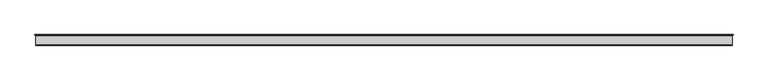
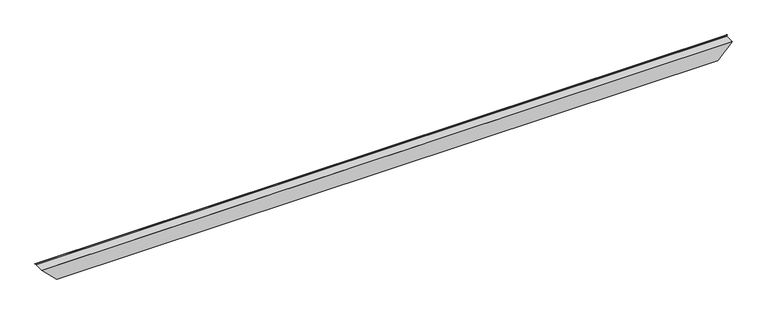
"""IFC4 building model written with IfcOpenShell, lengths in millimetres: proxy geometry."""

from ifc_helpers import new_model, si_unit, frame, origin, place, context, project, spatial, polyline, ellipse_curve, faceted_brep, source, transform, mapped, element, save
from ifc_brep_helpers import plane_surface, cylinder_surface, revolved_surface, advanced_brep


def specialty_equipment_ea0de7f9(model_context):
    return source(origin(), model_context, "Body", "SolidModel", [
        advanced_brep(
        [(7403.4711295, 84.2845729, 38.6991105), (7403.9063263, 83.3664989, 39.1343073), (-39.1343073, 83.3664989, 39.1343073), (-38.6991105, 84.2845729, 38.6991105), (7410.9034758, 86.6833746, 46.1314568), (-46.1314568, 86.6833746, 46.1314568), (7411.9682213, 84.8585816, 47.1962023), (-47.1962023, 84.8585816, 47.1962023), (7404.4427011, 77.3330614, 39.6706822), (-39.6706822, 77.3330614, 39.6706822), (7404.4427011, 0.508, 39.6706822), (-39.6706822, 0.508, 39.6706822), (7403.9347011, 0.0, 39.1626822), (-39.1626822, 0.0, 39.1626822), (7246.7783047, 0.0, -117.9937142), (117.9937142, 0.0, -117.9937142), (7246.7783047, 77.6452525, -117.9937142), (117.9937142, 77.6452525, -117.9937142), (7239.474382, 84.9491753, -125.297637), (125.297637, 84.9491753, -125.297637), (7241.2700334, 86.4483719, -123.5019856), (123.5019856, 86.4483719, -123.5019856), (7246.000719, 84.7304835, -118.7713), (118.7713, 84.7304835, -118.7713), (7246.347509, 85.6854666, -118.42451), (118.42451, 85.6854666, -118.42451), (7241.6394776, 87.3951284, -123.1325414), (123.1325414, 87.3951284, -123.1325414), (7238.5801716, 84.4065446, -126.1918474), (126.1918474, 84.4065446, -126.1918474), (7245.7623047, 77.2244115, -119.0097142), (119.0097142, 77.2244115, -119.0097142), (7245.7623047, -25.5276818, -119.0097142), (119.0097142, -25.5276818, -119.0097142), (7404.4427011, -25.5276818, 39.6706822), (-39.6706822, -25.5276818, 39.6706822), (7405.4587011, -24.5116818, 40.6866822), (-40.6866822, -24.5116818, 40.6866822), (7405.4587011, 76.9122205, 40.6866822), (-40.6866822, 76.9122205, 40.6866822), (7412.7614001, 84.2236616, 47.9893811), (-47.9893811, 84.2236616, 47.9893811), (7410.7409922, 87.6862978, 45.9689732), (-45.9689732, 87.6862978, 45.9689732)],
        [
            (0, 1),
            (1, 2),
            (2, 3),
            (3, 0),
            (1, 4),
            (4, 5),
            (5, 2),
            (4, 6, ellipse_curve(frame((7411.084506, 85.5659738, 46.312487), z_axis=(0.7071067811865483, 0.0, -0.7071067811865468), x_axis=(0.7071067811865466, 0.0, 0.7071067811865485)), 1.6008476, 1.1319702)),
            (6, 7),
            (7, 5, ellipse_curve(frame((-46.312487, 85.5659738, 46.312487), z_axis=(-0.7071067811865492, 0.0, -0.7071067811865458), x_axis=(0.7071067811865458, 0.0, -0.7071067811865492)), 1.6008476, 1.1319702)),
            (6, 8),
            (8, 9),
            (9, 7),
            (8, 10),
            (10, 11),
            (11, 9),
            (10, 12, ellipse_curve(frame((7403.9347011, 0.508, 39.1626822), z_axis=(0.7071067811865483, 0.0, -0.7071067811865468), x_axis=(0.7071067811865466, 0.0, 0.7071067811865485)), 0.7184205, 0.508)),
            (12, 13),
            (13, 11, ellipse_curve(frame((-39.1626822, 0.508, 39.1626822), z_axis=(-0.7071067811865492, 0.0, -0.7071067811865458), x_axis=(0.7071067811865458, 0.0, -0.7071067811865492)), 0.7184205, 0.508)),
            (12, 14),
            (14, 15),
            (15, 13),
            (14, 16),
            (16, 17),
            (17, 15),
            (16, 18),
            (18, 19),
            (19, 17),
            (18, 20, ellipse_curve(frame((7240.7543875, 85.2410207, -124.0176315), z_axis=(0.7071067811865483, 0.0, -0.7071067811865468), x_axis=(0.7071067811865466, 0.0, 0.7071067811865485)), 1.8566571, 1.3128548)),
            (20, 21),
            (21, 19, ellipse_curve(frame((124.0176315, 85.2410207, -124.0176315), z_axis=(-0.7071067811865492, 0.0, -0.7071067811865458), x_axis=(0.7071067811865458, 0.0, -0.7071067811865492)), 1.8566571, 1.3128548)),
            (20, 22),
            (22, 23),
            (23, 21),
            (22, 24),
            (24, 25),
            (25, 23),
            (24, 26),
            (26, 27),
            (27, 25),
            (26, 28, ellipse_curve(frame((7240.7543875, 85.2410207, -124.0176315), z_axis=(-0.7071067811865483, 0.0, 0.7071067811865468), x_axis=(-0.7071067811865466, 0.0, -0.7071067811865485)), 3.2934981, 2.3288548)),
            (28, 29),
            (29, 27, ellipse_curve(frame((124.0176315, 85.2410207, -124.0176315), z_axis=(0.7071067811865492, 0.0, 0.7071067811865458), x_axis=(-0.7071067811865458, 0.0, 0.7071067811865492)), 3.2934981, 2.3288548)),
            (28, 30),
            (30, 31),
            (31, 29),
            (30, 32),
            (32, 33),
            (33, 31),
            (32, 34),
            (34, 35),
            (35, 33),
            (34, 36, ellipse_curve(frame((7404.4427011, -24.5116818, 39.6706822), z_axis=(-0.7071067811865483, 0.0, 0.7071067811865468), x_axis=(-0.7071067811865466, 0.0, -0.7071067811865485)), 1.436841, 1.016)),
            (36, 37),
            (37, 35, ellipse_curve(frame((-39.6706822, -24.5116818, 39.6706822), z_axis=(0.7071067811865492, 0.0, 0.7071067811865458), x_axis=(-0.7071067811865458, 0.0, 0.7071067811865492)), 1.436841, 1.016)),
            (36, 38),
            (38, 39),
            (39, 37),
            (38, 40),
            (40, 41),
            (41, 39),
            (40, 42, ellipse_curve(frame((7411.084506, 85.5659738, 46.312487), z_axis=(-0.7071067811865483, 0.0, 0.7071067811865468), x_axis=(-0.7071067811865466, 0.0, -0.7071067811865485)), 3.0376885, 2.1479702)),
            (42, 43),
            (43, 41, ellipse_curve(frame((-46.312487, 85.5659738, 46.312487), z_axis=(0.7071067811865492, 0.0, 0.7071067811865458), x_axis=(-0.7071067811865458, 0.0, 0.7071067811865492)), 3.0376885, 2.1479702)),
            (42, 0),
            (3, 43),
        ],
        [
            plane_surface(frame((-48.5394, 84.2845729, 38.6991105), z_axis=(0.0, -0.4283433055538029, -0.9036160758791543), x_axis=(1.0, 0.0, 0.0))),
            plane_surface(frame((-48.5394, 83.3664989, 39.1343073), z_axis=(0.0, -0.9036160758791646, 0.4283433055537811), x_axis=(1.0, 0.0, 0.0))),
            revolved_surface(polyline([(7412.2164761936065, 86.69794399999999, 46.312487), (-47.444457193606205, 86.69794399999999, 46.312487)]), (-48.5394, 85.5659738, 46.312487), (1.0, 0.0, 0.0)),
            plane_surface(frame((-48.5394, 84.8585816, 47.1962023), z_axis=(0.0, 0.7071067811866342, -0.7071067811864609), x_axis=(1.0, 0.0, 0.0))),
            plane_surface(frame((-48.5394, 77.3330614, 39.6706822), z_axis=(0.0, 0.0, -1.0), x_axis=(1.0, 0.0, 0.0))),
            revolved_surface(polyline([(7404.442701107293, 1.016, 39.1626822), (-39.670682207293424, 1.016, 39.1626822)]), (-48.5394, 0.508, 39.1626822), (1.0, 0.0, 0.0)),
            plane_surface(frame((-48.5394, 0.0, 39.1626822), z_axis=(0.0, 1.0, 0.0), x_axis=(1.0, 0.0, 0.0))),
            plane_surface(frame((-48.5394, 0.0, -117.9937142), z_axis=(0.0, 0.0, 1.0), x_axis=(1.0, 0.0, 0.0))),
            plane_surface(frame((-48.5394, 77.6452525, -117.9937142), z_axis=(0.0, 0.7071067811871127, 0.7071067811859825), x_axis=(1.0, 0.0, 0.0))),
            revolved_surface(polyline([(7242.067242325748, 86.5538755, -124.0176315), (122.70477667425186, 86.5538755, -124.0176315)]), (-48.5394, 85.2410207, -124.0176315), (1.0, 0.0, 0.0)),
            plane_surface(frame((-48.5394, 86.4483719, -123.5019856), z_axis=(0.0, -0.9399439895929899, -0.34132872194998964), x_axis=(1.0, 0.0, 0.0))),
            plane_surface(frame((-48.5394, 84.7304835, -118.7713), z_axis=(0.0, -0.34132872194998415, 0.939943989592992), x_axis=(1.0, 0.0, 0.0))),
            plane_surface(frame((-48.5394, 85.6854666, -118.42451), z_axis=(0.0, 0.9399439895929911, 0.34132872194998665), x_axis=(1.0, 0.0, 0.0))),
            cylinder_surface(frame((-48.5394, 85.2410207, -124.0176315), z_axis=(-1.0, 0.0, 0.0), x_axis=(0.0, 1.0, 0.0)), 2.3288548),
            plane_surface(frame((-48.5394, 84.4065446, -126.1918474), z_axis=(0.0, -0.7071067811872039, -0.7071067811858912), x_axis=(1.0, 0.0, 0.0))),
            plane_surface(frame((-48.5394, 77.2244115, -119.0097142), z_axis=(0.0, 0.0, -1.0), x_axis=(1.0, 0.0, 0.0))),
            plane_surface(frame((-48.5394, -25.5276818, -119.0097142), z_axis=(0.0, -1.0, 0.0), x_axis=(1.0, 0.0, 0.0))),
            cylinder_surface(frame((-48.5394, -24.5116818, 39.6706822), z_axis=(-1.0, 0.0, 0.0), x_axis=(0.0, 1.0, 0.0)), 1.016),
            plane_surface(frame((-48.5394, -24.5116818, 40.6866822), z_axis=(0.0, 0.0, 1.0), x_axis=(1.0, 0.0, 0.0))),
            plane_surface(frame((-48.5394, 76.9122205, 40.6866822), z_axis=(0.0, -0.7066836626193936, 0.7075296467193719), x_axis=(1.0, 0.0, 0.0))),
            cylinder_surface(frame((-48.5394, 85.5659738, 46.312487), z_axis=(-1.0, 0.0, 0.0), x_axis=(0.0, 1.0, 0.0)), 2.1479702),
            plane_surface(frame((-48.5394, 87.6862978, 45.9689732), z_axis=(0.0, 0.905747119101355, -0.4238185416420523), x_axis=(1.0, 0.0, 0.0))),
            plane_surface(frame((7413.311419, -67.4899439, 48.5394), z_axis=(0.7071067811865483, 0.0, -0.7071067811865468), x_axis=(0.0, 1.0, 0.0))),
            plane_surface(frame((126.4137994, -67.4899439, -126.4137994), z_axis=(-0.7071067811865492, 0.0, -0.7071067811865458), x_axis=(0.0, 1.0, 0.0))),
        ],
        [
            (0, [[1, 2, 3, 4]]),
            (1, [[5, 6, 7, -2]]),
            (2, [[8, 9, 10, -6]]),
            (3, [[11, 12, 13, -9]]),
            (4, [[14, 15, 16, -12]]),
            (5, [[17, 18, 19, -15]]),
            (6, [[20, 21, 22, -18]]),
            (7, [[23, 24, 25, -21]]),
            (8, [[26, 27, 28, -24]]),
            (9, [[29, 30, 31, -27]]),
            (10, [[32, 33, 34, -30]]),
            (11, [[35, 36, 37, -33]]),
            (12, [[38, 39, 40, -36]]),
            (13, [[41, 42, 43, -39]]),
            (14, [[44, 45, 46, -42]]),
            (15, [[47, 48, 49, -45]]),
            (16, [[50, 51, 52, -48]]),
            (17, [[53, 54, 55, -51]]),
            (18, [[56, 57, 58, -54]]),
            (19, [[59, 60, 61, -57]]),
            (20, [[62, 63, 64, -60]]),
            (21, [[65, -4, 66, -63]]),
            (22, [[-1, -65, -62, -59, -56, -53, -50, -47, -44, -41, -38, -35, -32, -29, -26, -23, -20, -17, -14, -11, -8, -5]]),
            (23, [[-3, -7, -10, -13, -16, -19, -22, -25, -28, -31, -34, -37, -40, -43, -46, -49, -52, -55, -58, -61, -64, -66]]),
        ],
    ),
        faceted_brep([(7397.383734, 20.9756339, 32.611715), (7397.383734, 3.96875, 32.611715), (-32.611715, 3.96875, 32.611715), (-32.611715, 20.9756339, 32.611715), (7372.5317194, 3.96875, 7.7597004), (-7.7597004, 3.96875, 7.7597004), (7372.5317194, 40.03675, 7.7597004), (-7.7597004, 40.03675, 7.7597004), (7370.4997194, 40.03675, 5.7277005), (-5.7277005, 40.03675, 5.7277005), (7370.4997194, 1.9367501, 5.7277005), (-5.7277005, 1.9367501, 5.7277005), (7399.392219, 1.9367501, 34.6202), (-34.6202, 1.9367501, 34.6202), (7399.392219, 20.9756339, 34.6202), (-34.6202, 20.9756339, 34.6202)], [[[0, 1, 2, 3]], [[1, 4, 5, 2]], [[4, 6, 7, 5]], [[6, 8, 9, 7]], [[8, 10, 11, 9]], [[10, 12, 13, 11]], [[12, 14, 15, 13]], [[14, 0, 3, 15]], [[1, 0, 14, 12, 10, 8, 6, 4]], [[3, 2, 5, 7, 9, 11, 13, 15]]]),
    ])


if __name__ == "__main__":
    model = new_model("IFC4")
    model_context = context("Model", 3, world=origin())
    ifc_project = project(units=[si_unit("LENGTHUNIT", "METRE", prefix="MILLI")], contexts=[model_context])
    site = spatial("IfcSite", under=ifc_project)
    building = spatial("IfcBuilding", under=site)
    placement = place(None, origin())
    specialty_equipment_shape = specialty_equipment_ea0de7f9(model_context)
    element("IfcBuildingElementProxy", 1, Name="Specialty Equipment", at=placement, inside=building, context=model_context, shape_type="MappedRepresentation", body=[
        mapped(specialty_equipment_shape, transform((0.0, 0.0, 0.0), x_axis=(1.0, 0.0, 0.0), y_axis=(0.0, 1.0, 0.0), z_axis=(0.0, 0.0, 1.0))),
    ])
    save(model, "model.ifc")
